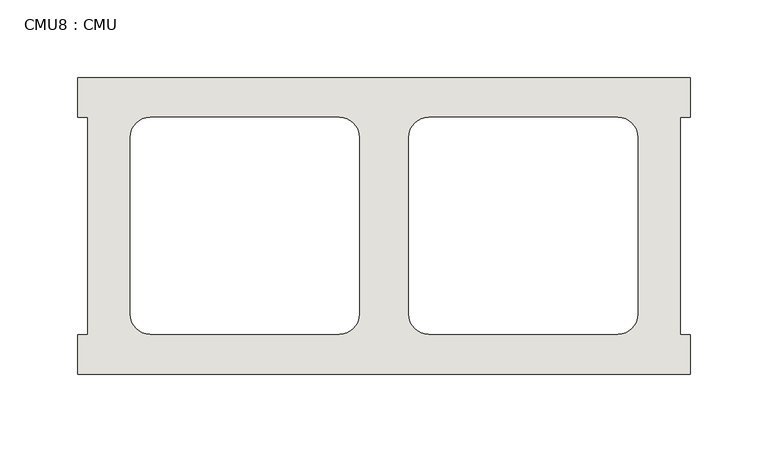
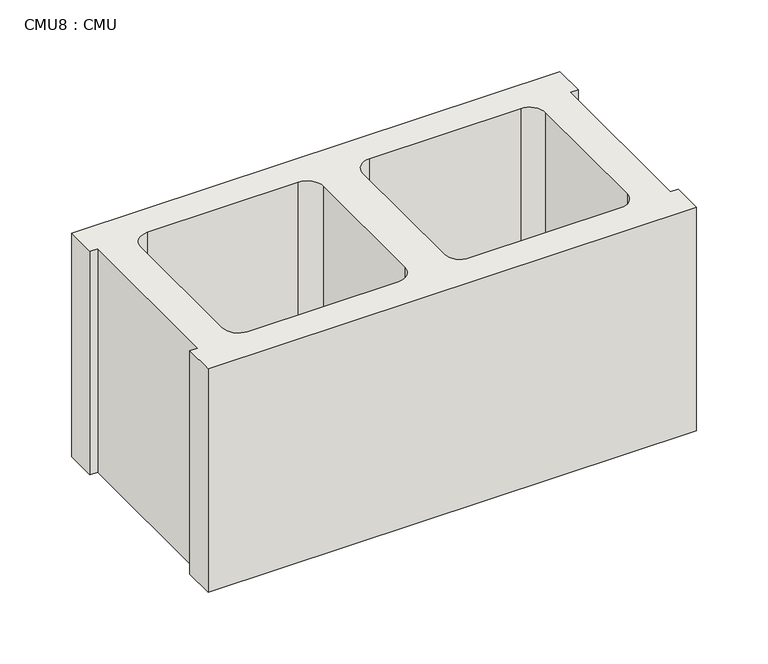
"""IFC4 building model written with IfcOpenShell, lengths in millimetres: wall geometry, CMU8 : CMU."""

from ifc_helpers import new_model, si_unit, point, frame, frame_2d, origin, place, context, project, spatial, polyline, circle_curve, trimmed, segment, composite_curve, outline, extrude, source, transform, mapped, element, save


def cmu8_cmu_ee6db12d(model_context):
    return source(origin(), model_context, "Body", "SweptSolid", [
        extrude(outline(polyline([(52.2602062, 2484.2276522), (445.9602062, 2484.2276522), (445.9602062, 2458.8276522), (439.6102062, 2458.8276522), (439.6102062, 2319.1276522), (445.9602062, 2319.1276522), (445.9602062, 2293.7276522), (52.2602062, 2293.7276522), (52.2602062, 2319.1276522), (58.6102062, 2319.1276522), (58.6102062, 2458.8276522), (52.2602062, 2458.8276522), (52.2602062, 2484.2276522)]), holes=[composite_curve([segment(polyline([(220.4282049, 2458.8276522), (98.7115548, 2458.8276522)]), True, "CONTINUOUS"), segment(trimmed(circle_curve(frame_2d((98.7115548, 2446.1276522)), 12.7), [point((98.7115548, 2458.8276522))], [point((86.0115548, 2446.1276522))], True, "CARTESIAN"), True, "CONTINUOUS"), segment(polyline([(86.0115548, 2446.1276522), (86.0115548, 2332.0618125)]), True, "CONTINUOUS"), segment(trimmed(circle_curve(frame_2d((98.7115548, 2332.0618125)), 12.7), [point((86.0115548, 2332.0618125))], [point((98.7115548, 2319.3618125))], True, "CARTESIAN"), True, "CONTINUOUS"), segment(polyline([(98.7115548, 2319.3618125), (220.4282049, 2319.3618125)]), True, "CONTINUOUS"), segment(trimmed(circle_curve(frame_2d((220.4282049, 2332.0618125)), 12.7), [point((220.4282049, 2319.3618125))], [point((233.1282049, 2332.0618125))], True, "CARTESIAN"), True, "CONTINUOUS"), segment(polyline([(233.1282049, 2332.0618125), (233.1282049, 2446.1276522)]), True, "CONTINUOUS"), segment(trimmed(circle_curve(frame_2d((220.4282049, 2446.1276522)), 12.7), [point((233.1282049, 2446.1276522))], [point((220.4282049, 2458.8276522))], True, "CARTESIAN"), True, "CONTINUOUS")], self_intersect=False), composite_curve([segment(trimmed(circle_curve(frame_2d((277.7922075, 2446.1276522)), 12.7), [point((277.7922075, 2458.8276522))], [point((265.0922075, 2446.1276522))], True, "CARTESIAN"), True, "CONTINUOUS"), segment(polyline([(265.0922075, 2446.1276522), (265.0922075, 2332.0618125)]), True, "CONTINUOUS"), segment(trimmed(circle_curve(frame_2d((277.7922075, 2332.0618125)), 12.7), [point((265.0922075, 2332.0618125))], [point((277.7922075, 2319.3618125))], True, "CARTESIAN"), True, "CONTINUOUS"), segment(polyline([(277.7922075, 2319.3618125), (399.5088576, 2319.3618125)]), True, "CONTINUOUS"), segment(trimmed(circle_curve(frame_2d((399.5088576, 2332.0618125)), 12.7), [point((399.5088576, 2319.3618125))], [point((412.2088576, 2332.0618125))], True, "CARTESIAN"), True, "CONTINUOUS"), segment(polyline([(412.2088576, 2332.0618125), (412.2088576, 2446.1276522)]), True, "CONTINUOUS"), segment(trimmed(circle_curve(frame_2d((399.5088576, 2446.1276522)), 12.7), [point((412.2088576, 2446.1276522))], [point((399.5088576, 2458.8276522))], True, "CARTESIAN"), True, "CONTINUOUS"), segment(polyline([(399.5088576, 2458.8276522), (277.7922075, 2458.8276522)]), True, "CONTINUOUS")], self_intersect=False)]), frame((0.0, 0.0, 317.5), z_axis=(0.0, 0.0, 1.0), x_axis=(1.0, 0.0, 0.0)), (0.0, 0.0, 1.0), 190.5),
    ])


if __name__ == "__main__":
    model = new_model("IFC4")
    model_context = context("Model", 3, world=origin())
    ifc_project = project(units=[si_unit("LENGTHUNIT", "METRE", prefix="MILLI")], contexts=[model_context])
    site = spatial("IfcSite", under=ifc_project)
    building = spatial("IfcBuilding", under=site)
    placement = place(None, origin())
    cmu8_cmu_shape = cmu8_cmu_ee6db12d(model_context)
    element("IfcWall", 1, ObjectType="CMU8 : CMU", at=placement, inside=building, context=model_context, shape_type="MappedRepresentation", body=[
        mapped(cmu8_cmu_shape, transform((0.0, 0.0, 0.0), x_axis=(1.0, 0.0, 0.0), y_axis=(0.0, 1.0, 0.0), z_axis=(0.0, 0.0, 1.0))),
    ])
    save(model, "model.ifc")
